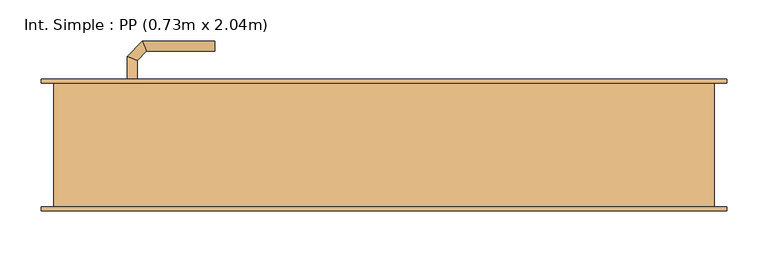
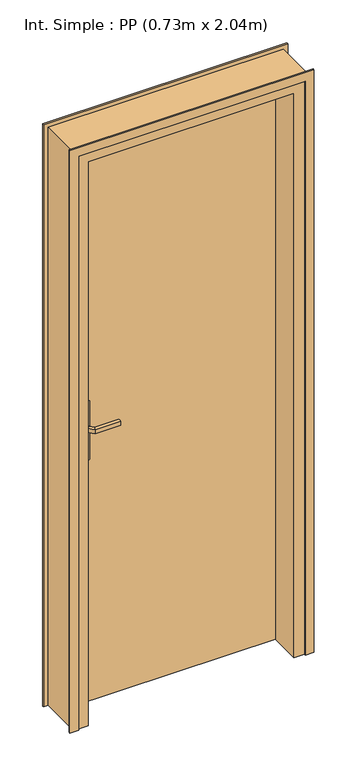
"""IFC4 building model written with IfcOpenShell, lengths in millimetres: door geometry, Int. Simple : PP (0.73m x 2.04m)."""

from ifc_helpers import new_model, si_unit, point, frame, frame_2d, origin, origin_with_axes, place, context, project, spatial, polyline, circle_curve, ellipse_curve, trimmed, segment, composite_curve, outline, extrude, faceted_brep, source, transform, mapped, element, save
from ifc_brep_helpers import plane_surface, cylinder_surface, advanced_brep


def int_simple_pp_0_73m_x_2_04m_bff29abf(model_context):
    return source(origin(), model_context, "Body", "SolidModel", [
        extrude(outline(composite_curve([segment(trimmed(circle_curve(frame_2d((904.6410162, -340.0)), 40.0), [point((870.0, -360.0))], [point((870.0, -320.0))], False, "CARTESIAN"), True, "CONTINUOUS"), segment(polyline([(870.0, -320.0), (1080.0, -320.0)]), True, "CONTINUOUS"), segment(trimmed(circle_curve(frame_2d((1045.3589838, -340.0)), 40.0), [point((1080.0, -320.0))], [point((1080.0, -360.0))], False, "CARTESIAN"), True, "CONTINUOUS"), segment(polyline([(1080.0, -360.0), (870.0, -360.0)]), True, "CONTINUOUS")], self_intersect=False)), frame((0.0, 75.0, 0.0), z_axis=(0.0, 1.0, 0.0), x_axis=(0.0, 0.0, 1.0)), (0.0, 0.0, 1.0), 5.0),
        extrude(outline(composite_curve([segment(trimmed(circle_curve(frame_2d((1045.3589838, -340.0)), 40.0), [point((1080.0, -320.0))], [point((1080.0, -360.0))], False, "CARTESIAN"), True, "CONTINUOUS"), segment(polyline([(1080.0, -360.0), (870.0, -360.0)]), True, "CONTINUOUS"), segment(trimmed(circle_curve(frame_2d((904.6410162, -340.0)), 40.0), [point((870.0, -360.0))], [point((870.0, -320.0))], False, "CARTESIAN"), True, "CONTINUOUS"), segment(polyline([(870.0, -320.0), (1080.0, -320.0)]), True, "CONTINUOUS")], self_intersect=False)), frame((0.0, 30.0, 0.0), z_axis=(0.0, 1.0, 0.0), x_axis=(0.0, 0.0, 1.0)), (0.0, 0.0, 1.0), 5.0),
        advanced_brep(
        [(-346.0, 80.0, 1007.0), (-346.0, 80.0, 993.0), (-334.0, 80.0, 993.0), (-334.0, 80.0, 1007.0), (-334.0, 102.680388, 1007.0), (-346.0, 107.6509507, 1007.0), (-334.0, 102.680388, 993.0), (-346.0, 107.6509507, 993.0), (-322.6522273, 114.0281607, 1007.0), (-327.62279, 126.0281607, 1007.0), (-322.6522273, 114.0281607, 993.0), (-327.62279, 126.0281607, 993.0), (-239.9813594, 126.0281607, 1007.0), (-239.9813594, 114.0281607, 1007.0), (-239.9813594, 114.0281607, 993.0), (-239.9813594, 126.0281607, 993.0)],
        [
            (0, 1),
            (1, 2, circle_curve(frame((-340.0, 80.0, 1013.0457722), z_axis=(0.0, -1.0, 0.0), x_axis=(1.0, 0.0, 0.0)), 20.9244589)),
            (2, 3),
            (3, 0, circle_curve(frame((-340.0, 80.0, 986.9542278), z_axis=(0.0, -1.0, 0.0), x_axis=(1.0, 0.0, 0.0)), 20.9244589)),
            (3, 4),
            (4, 5, ellipse_curve(frame((-340.0, 105.1656693, 986.9542278), z_axis=(-0.3826834323651126, -0.9238795325112773, 0.0), x_axis=(0.9238795325112775, -0.38268343236511254, 0.0)), 22.6484711, 20.9244589)),
            (5, 0),
            (2, 6),
            (6, 4),
            (1, 7),
            (7, 6, ellipse_curve(frame((-340.0, 105.1656693, 1013.0457722), z_axis=(-0.3826834323651126, -0.9238795325112773, 0.0), x_axis=(0.9238795325112775, -0.38268343236511254, 0.0)), 22.6484711, 20.9244589)),
            (5, 7),
            (4, 8),
            (8, 9, ellipse_curve(frame((-325.1375086, 120.0281607, 986.9542278), z_axis=(-0.9238795325112962, -0.38268343236506686, 0.0), x_axis=(0.3826834323650665, -0.9238795325112965, 0.0)), 22.6484711, 20.9244589)),
            (9, 5),
            (6, 10),
            (10, 8),
            (7, 11),
            (11, 10, ellipse_curve(frame((-325.1375086, 120.0281607, 1013.0457722), z_axis=(-0.9238795325112962, -0.38268343236506686, 0.0), x_axis=(0.3826834323650665, -0.9238795325112965, 0.0)), 22.6484711, 20.9244589)),
            (9, 11),
            (12, 13, circle_curve(frame((-239.9813594, 120.0281607, 986.9542278), z_axis=(1.0, 0.0, 0.0), x_axis=(0.0, -1.0, 0.0)), 20.9244589)),
            (13, 14),
            (14, 15, circle_curve(frame((-239.9813594, 120.0281607, 1013.0457722), z_axis=(1.0, 0.0, 0.0), x_axis=(0.0, -1.0, 0.0)), 20.9244589)),
            (15, 12),
            (8, 13),
            (12, 9),
            (10, 14),
            (11, 15),
        ],
        [
            plane_surface(frame((-349.2195445, 80.0, 1000.0), z_axis=(0.0, -1.0, 0.0), x_axis=(0.0, 0.0, -1.0))),
            cylinder_surface(frame((-340.0, 80.0, 986.9542278), z_axis=(0.0, -1.0, 0.0), x_axis=(1.0, 0.0, 0.0)), 20.9244589),
            plane_surface(frame((-334.0, 80.0, 1007.0), z_axis=(1.0, 0.0, 0.0), x_axis=(0.0, 1.0, 0.0))),
            cylinder_surface(frame((-340.0, 80.0, 1013.0457722), z_axis=(0.0, -1.0, 0.0), x_axis=(1.0, 0.0, 0.0)), 20.9244589),
            plane_surface(frame((-346.0, 80.0, 993.0), z_axis=(-1.0, 0.0, 0.0), x_axis=(0.0, 1.0, 0.0))),
            cylinder_surface(frame((-340.0, 105.1656693, 986.9542278), z_axis=(-0.7071067811865798, -0.7071067811865152, 0.0), x_axis=(0.7071067811865152, -0.7071067811865798, 0.0)), 20.9244589),
            plane_surface(frame((-334.0, 102.680388, 1007.0), z_axis=(0.7071067811865152, -0.7071067811865799, 0.0), x_axis=(0.7071067811865799, 0.7071067811865152, 0.0))),
            cylinder_surface(frame((-340.0, 105.1656693, 1013.0457722), z_axis=(-0.7071067811865798, -0.7071067811865152, 0.0), x_axis=(0.7071067811865152, -0.7071067811865798, 0.0)), 20.9244589),
            plane_surface(frame((-346.0, 107.6509507, 993.0), z_axis=(-0.7071067811865152, 0.7071067811865799, 0.0), x_axis=(0.7071067811865799, 0.7071067811865152, 0.0))),
            plane_surface(frame((-239.9813594, 120.0281607, 990.7804555), z_axis=(1.0, 0.0, 0.0), x_axis=(0.0, -1.0, 0.0))),
            cylinder_surface(frame((-325.1375086, 120.0281607, 986.9542278), z_axis=(-1.0, 0.0, 0.0), x_axis=(0.0, -1.0, 0.0)), 20.9244589),
            plane_surface(frame((-322.6522273, 114.0281607, 1007.0), z_axis=(0.0, -1.0, 0.0), x_axis=(1.0, 0.0, 0.0))),
            cylinder_surface(frame((-325.1375086, 120.0281607, 1013.0457722), z_axis=(-1.0, 0.0, 0.0), x_axis=(0.0, -1.0, 0.0)), 20.9244589),
            plane_surface(frame((-327.62279, 126.0281607, 993.0), z_axis=(0.0, 1.0, 0.0), x_axis=(1.0, 0.0, 0.0))),
        ],
        [
            (0, [[1, 2, 3, 4]]),
            (1, [[5, 6, 7, -4]]),
            (2, [[8, 9, -5, -3]]),
            (3, [[10, 11, -8, -2]]),
            (4, [[-7, 12, -10, -1]]),
            (5, [[13, 14, 15, -6]]),
            (6, [[16, 17, -13, -9]]),
            (7, [[18, 19, -16, -11]]),
            (8, [[-15, 20, -18, -12]]),
            (9, [[21, 22, 23, 24]]),
            (10, [[25, -21, 26, -14]]),
            (11, [[27, -22, -25, -17]]),
            (12, [[28, -23, -27, -19]]),
            (13, [[-26, -24, -28, -20]]),
        ],
    ),
        advanced_brep(
        [(-334.0, 30.0, 993.0), (-346.0, 30.0, 993.0), (-346.0, 30.0, 1007.0), (-334.0, 30.0, 1007.0), (-334.0, 7.5147955, 1007.0), (-334.0, 7.5147955, 993.0), (-346.0, 2.5442327, 1007.0), (-346.0, 2.5442327, 993.0), (-322.5147186, -3.9704859, 1007.0), (-322.5147186, -3.9704859, 993.0), (-327.4852814, -15.9704859, 1007.0), (-327.4852814, -15.9704859, 993.0), (-239.9542163, -3.9704859, 993.0), (-239.9542163, -3.9704859, 1007.0), (-239.9542163, -15.9704859, 1007.0), (-239.9542163, -15.9704859, 993.0)],
        [
            (0, 1, circle_curve(frame((-340.0, 30.0, 1013.0457722), z_axis=(0.0, 1.0, 0.0), x_axis=(-1.0, 0.0, 0.0)), 20.9244589)),
            (1, 2),
            (2, 3, circle_curve(frame((-340.0, 30.0, 986.9542278), z_axis=(0.0, 1.0, 0.0), x_axis=(-1.0, 0.0, 0.0)), 20.9244589)),
            (3, 0),
            (3, 4),
            (4, 5),
            (5, 0),
            (2, 6),
            (6, 4, ellipse_curve(frame((-340.0, 5.0295141, 986.9542278), z_axis=(-0.3826834323651055, 0.9238795325112801, 0.0), x_axis=(0.9238795325112799, 0.3826834323651064, 0.0)), 22.6484711, 20.9244589)),
            (1, 7),
            (7, 6),
            (5, 7, ellipse_curve(frame((-340.0, 5.0295141, 1013.0457722), z_axis=(-0.3826834323651055, 0.9238795325112801, 0.0), x_axis=(0.9238795325112799, 0.3826834323651064, 0.0)), 22.6484711, 20.9244589)),
            (4, 8),
            (8, 9),
            (9, 5),
            (6, 10),
            (10, 8, ellipse_curve(frame((-325.0, -9.9704859, 986.9542278), z_axis=(-0.9238795325112932, 0.382683432365074, 0.0), x_axis=(0.3826834323650737, 0.9238795325112934, 0.0)), 22.6484711, 20.9244589)),
            (7, 11),
            (11, 10),
            (9, 11, ellipse_curve(frame((-325.0, -9.9704859, 1013.0457722), z_axis=(-0.9238795325112932, 0.382683432365074, 0.0), x_axis=(0.3826834323650737, 0.9238795325112934, 0.0)), 22.6484711, 20.9244589)),
            (12, 13),
            (13, 14, circle_curve(frame((-239.9542163, -9.9704859, 986.9542278), z_axis=(1.0, 0.0, 0.0), x_axis=(0.0, -1.0, 0.0)), 20.9244589)),
            (14, 15),
            (15, 12, circle_curve(frame((-239.9542163, -9.9704859, 1013.0457722), z_axis=(1.0, 0.0, 0.0), x_axis=(0.0, -1.0, 0.0)), 20.9244589)),
            (8, 13),
            (12, 9),
            (10, 14),
            (11, 15),
        ],
        [
            plane_surface(frame((-349.2195445, 30.0, 1000.0), z_axis=(0.0, 1.0, 0.0), x_axis=(0.0, 0.0, 1.0))),
            plane_surface(frame((-334.0, 30.0, 993.0), z_axis=(1.0, 0.0, 0.0), x_axis=(0.0, -1.0, 0.0))),
            cylinder_surface(frame((-340.0, 30.0, 986.9542278), z_axis=(0.0, 1.0, 0.0), x_axis=(-1.0, 0.0, 0.0)), 20.9244589),
            plane_surface(frame((-346.0, 30.0, 1007.0), z_axis=(-1.0, 0.0, 0.0), x_axis=(0.0, -1.0, 0.0))),
            cylinder_surface(frame((-340.0, 30.0, 1013.0457722), z_axis=(0.0, 1.0, 0.0), x_axis=(-1.0, 0.0, 0.0)), 20.9244589),
            plane_surface(frame((-334.0, 7.5147955, 993.0), z_axis=(0.7071067811865208, 0.7071067811865742, 0.0), x_axis=(0.7071067811865742, -0.7071067811865208, 0.0))),
            cylinder_surface(frame((-340.0, 5.0295141, 986.9542278), z_axis=(-0.7071067811865742, 0.7071067811865208, 0.0), x_axis=(-0.7071067811865208, -0.7071067811865742, 0.0)), 20.9244589),
            plane_surface(frame((-346.0, 2.5442327, 1007.0), z_axis=(-0.7071067811865209, -0.7071067811865741, 0.0), x_axis=(0.7071067811865741, -0.7071067811865209, 0.0))),
            cylinder_surface(frame((-340.0, 5.0295141, 1013.0457722), z_axis=(-0.7071067811865742, 0.7071067811865208, 0.0), x_axis=(-0.7071067811865208, -0.7071067811865742, 0.0)), 20.9244589),
            plane_surface(frame((-239.9542163, -9.9704859, 990.7804555), z_axis=(1.0, 0.0, 0.0), x_axis=(0.0, -1.0, 0.0))),
            plane_surface(frame((-322.5147186, -3.9704859, 993.0), z_axis=(0.0, 1.0, 0.0), x_axis=(1.0, 0.0, 0.0))),
            cylinder_surface(frame((-325.0, -9.9704859, 986.9542278), z_axis=(-1.0, 0.0, 0.0), x_axis=(0.0, -1.0, 0.0)), 20.9244589),
            plane_surface(frame((-327.4852814, -15.9704859, 1007.0), z_axis=(0.0, -1.0, 0.0), x_axis=(1.0, 0.0, 0.0))),
            cylinder_surface(frame((-325.0, -9.9704859, 1013.0457722), z_axis=(-1.0, 0.0, 0.0), x_axis=(0.0, -1.0, 0.0)), 20.9244589),
        ],
        [
            (0, [[1, 2, 3, 4]]),
            (1, [[5, 6, 7, -4]]),
            (2, [[8, 9, -5, -3]]),
            (3, [[10, 11, -8, -2]]),
            (4, [[-7, 12, -10, -1]]),
            (5, [[13, 14, 15, -6]]),
            (6, [[16, 17, -13, -9]]),
            (7, [[18, 19, -16, -11]]),
            (8, [[-15, 20, -18, -12]]),
            (9, [[21, 22, 23, 24]]),
            (10, [[25, -21, 26, -14]]),
            (11, [[27, -22, -25, -17]]),
            (12, [[28, -23, -27, -19]]),
            (13, [[-26, -24, -28, -20]]),
        ],
    ),
        extrude(outline(polyline([(-400.0, 35.0), (-400.0, 75.0), (330.0, 75.0), (330.0, 35.0), (-400.0, 35.0)])), origin_with_axes(), (0.0, 0.0, 1.0), 2040.0),
        faceted_brep([(-435.0, 75.0, 0.0), (-400.0, 75.0, 0.0), (-400.0, 35.0, 0.0), (-385.0, 35.0, 0.0), (-385.0, -75.0, 0.0), (-435.0, -75.0, 0.0), (-435.0, -75.0, 2075.0), (-435.0, 75.0, 2075.0), (-385.0, -75.0, 2025.0), (315.0, -75.0, 2025.0), (315.0, -75.0, 0.0), (365.0, -75.0, 0.0), (365.0, -75.0, 2075.0), (-385.0, 35.0, 2025.0), (-400.0, 35.0, 2040.0), (330.0, 35.0, 2040.0), (330.0, 35.0, 0.0), (315.0, 35.0, 0.0), (315.0, 35.0, 2025.0), (-400.0, 75.0, 2040.0), (365.0, 75.0, 2075.0), (365.0, 75.0, 0.0), (330.0, 75.0, 0.0), (330.0, 75.0, 2040.0)], [[[0, 1, 2, 3, 4, 5]], [[5, 6, 7, 0]], [[4, 8, 9, 10, 11, 12, 6, 5]], [[3, 13, 8, 4]], [[2, 14, 15, 16, 17, 18, 13, 3]], [[1, 19, 14, 2]], [[0, 7, 20, 21, 22, 23, 19, 1]], [[12, 11, 21, 20]], [[21, 11, 10, 17, 16, 22]], [[18, 17, 10, 9]], [[23, 22, 16, 15]], [[6, 12, 20, 7]], [[13, 18, 9, 8]], [[19, 23, 15, 14]]]),
        extrude(outline(polyline([(0.0, -420.0), (2060.0, -420.0), (2060.0, 350.0), (0.0, 350.0), (0.0, 380.0), (2090.0, 380.0), (2090.0, -450.0), (0.0, -450.0), (0.0, -420.0)])), frame((0.0, 75.0, 0.0), z_axis=(0.0, 1.0, 0.0), x_axis=(0.0, 0.0, 1.0)), (0.0, 0.0, 1.0), 5.0),
        extrude(outline(polyline([(0.0, -420.0), (2060.0, -420.0), (2060.0, 350.0), (0.0, 350.0), (0.0, 380.0), (2090.0, 380.0), (2090.0, -450.0), (0.0, -450.0), (0.0, -420.0)])), frame((0.0, -80.0, 0.0), z_axis=(0.0, 1.0, 0.0), x_axis=(0.0, 0.0, 1.0)), (0.0, 0.0, 1.0), 5.0),
    ])


if __name__ == "__main__":
    model = new_model("IFC4")
    model_context = context("Model", 3, world=origin())
    ifc_project = project(units=[si_unit("LENGTHUNIT", "METRE", prefix="MILLI")], contexts=[model_context])
    site = spatial("IfcSite", under=ifc_project)
    building = spatial("IfcBuilding", under=site)
    placement = place(None, origin())
    int_simple_pp_0_73m_x_2_04m_shape = int_simple_pp_0_73m_x_2_04m_bff29abf(model_context)
    element("IfcDoor", 1, ObjectType="Int. Simple : PP (0.73m x 2.04m)", at=placement, inside=building, context=model_context, shape_type="MappedRepresentation", body=[
        mapped(int_simple_pp_0_73m_x_2_04m_shape, transform((0.0, 0.0, 0.0), x_axis=(1.0, 0.0, 0.0), y_axis=(0.0, 1.0, 0.0), z_axis=(0.0, 0.0, 1.0))),
    ])
    save(model, "model.ifc")
